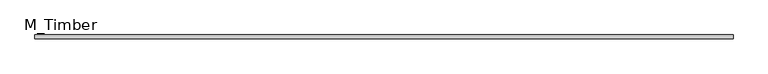
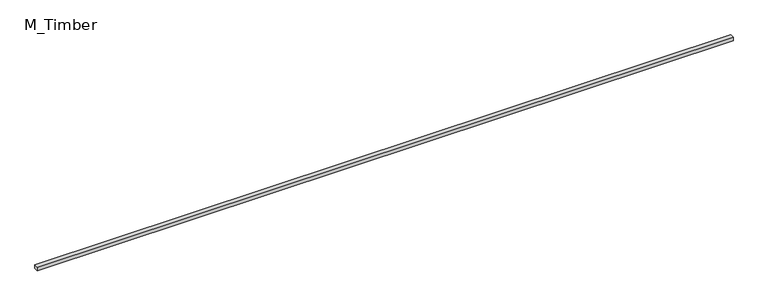
"""IFC4 building model written with IfcOpenShell, lengths in millimetres: beam geometry, M_Timber."""

from ifc_helpers import new_model, si_unit, frame, origin, place, context, project, spatial, polyline, outline, extrude, source, transform, mapped, element, save


def m_timber_5f4564a7(model_context):
    return source(origin(), model_context, "Body", "SweptSolid", [
        extrude(outline(polyline([(5469.9795725, 30.0), (5469.9795725, -30.0), (-5469.9795725, -30.0), (-5469.9795725, 30.0), (5469.9795725, 30.0)])), frame((0.0, 0.0, -30.0), z_axis=(0.0, 0.0, 1.0), x_axis=(1.0, 0.0, 0.0)), (0.0, 0.0, 1.0), 60.0),
    ])


if __name__ == "__main__":
    model = new_model("IFC4")
    model_context = context("Model", 3, world=origin())
    ifc_project = project(units=[si_unit("LENGTHUNIT", "METRE", prefix="MILLI")], contexts=[model_context])
    site = spatial("IfcSite", under=ifc_project)
    building = spatial("IfcBuilding", under=site)
    placement = place(None, origin())
    m_timber_shape = m_timber_5f4564a7(model_context)
    element("IfcBeam", 1, ObjectType="M_Timber", at=placement, inside=building, context=model_context, shape_type="MappedRepresentation", body=[
        mapped(m_timber_shape, transform((0.0, 0.0, 0.0), x_axis=(1.0, 0.0, 0.0), y_axis=(0.0, 1.0, 0.0), z_axis=(0.0, 0.0, 1.0))),
    ])
    save(model, "model.ifc")
